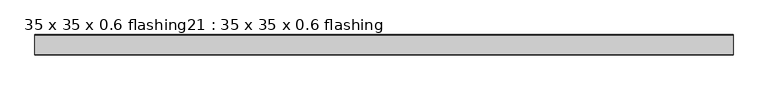
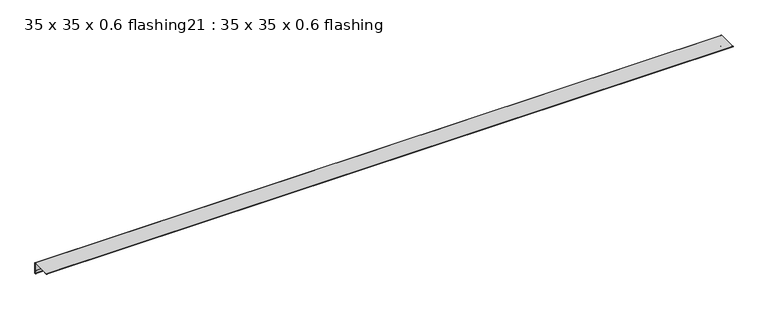
"""IFC4 building model written with IfcOpenShell, lengths in millimetres: proxy geometry, 35 x 35 x 0.6 flashing21 : 35 x 35 x 0.6 flashing."""

from ifc_helpers import new_model, si_unit, point, frame, frame_2d, origin, place, context, project, spatial, polyline, circle_curve, trimmed, segment, composite_curve, outline, extrude, source, transform, mapped, element, save


def proxy_35_x_35_x_0_6_flashing21_35_x_35_x_0_6_flashing_951367fd(model_context):
    return source(origin(), model_context, "Body", "SweptSolid", [
        extrude(outline(composite_curve([segment(trimmed(circle_curve(frame_2d((-10303.3538523, 1488.3887139)), 1.0), [point((-10302.3538523, 1488.3887139))], [point((-10304.3538523, 1488.3887139))], False, "CARTESIAN"), True, "CONTINUOUS"), segment(polyline([(-10304.3538523, 1488.3887139), (-10304.3538523, 1497.390498), (-10303.3538523, 1497.390498), (-10303.3538523, 1525.8887139)]), True, "CONTINUOUS"), segment(trimmed(circle_curve(frame_2d((-10304.8538523, 1525.8887139)), 1.5), [point((-10303.3538523, 1525.8887139))], [point((-10304.8538523, 1527.3887139))], True, "CARTESIAN"), True, "CONTINUOUS"), segment(polyline([(-10304.8538523, 1527.3887139), (-10362.3538523, 1527.3887139), (-10362.3538523, 1526.3887139), (-10371.3865297, 1526.3887139)]), True, "CONTINUOUS"), segment(trimmed(circle_curve(frame_2d((-10371.3865297, 1527.3887139)), 1.0), [point((-10371.3865297, 1526.3887139))], [point((-10371.3865297, 1528.3887139))], False, "CARTESIAN"), True, "CONTINUOUS"), segment(polyline([(-10371.3865297, 1528.3887139), (-10304.8538523, 1528.3887139)]), True, "CONTINUOUS"), segment(trimmed(circle_curve(frame_2d((-10304.8538523, 1525.8887139)), 2.5), [point((-10304.8538523, 1528.3887139))], [point((-10302.3538523, 1525.8887139))], False, "CARTESIAN"), True, "CONTINUOUS"), segment(polyline([(-10302.3538523, 1525.8887139), (-10302.3538523, 1488.3887139)]), True, "CONTINUOUS")], self_intersect=False)), frame((-10619.6640929, 0.0, 0.0), z_axis=(1.0, 0.0, 0.0), x_axis=(0.0, 1.0, 0.0)), (0.0, 0.0, 1.0), 2410.6438934),
    ])


if __name__ == "__main__":
    model = new_model("IFC4")
    model_context = context("Model", 3, world=origin())
    ifc_project = project(units=[si_unit("LENGTHUNIT", "METRE", prefix="MILLI")], contexts=[model_context])
    site = spatial("IfcSite", under=ifc_project)
    building = spatial("IfcBuilding", under=site)
    placement = place(None, origin())
    proxy_35_x_35_x_0_6_flashing21_35_x_35_x_0_6_flashing_shape = proxy_35_x_35_x_0_6_flashing21_35_x_35_x_0_6_flashing_951367fd(model_context)
    element("IfcBuildingElementProxy", 1, Name="35 x 35 x 0.6 flashing21 : 35 x 35 x 0.6 flashing", ObjectType="35 x 35 x 0.6 flashing21 : 35 x 35 x 0.6 flashing", at=placement, inside=building, context=model_context, shape_type="MappedRepresentation", body=[
        mapped(proxy_35_x_35_x_0_6_flashing21_35_x_35_x_0_6_flashing_shape, transform((0.0, 0.0, 0.0), x_axis=(1.0, 0.0, 0.0), y_axis=(0.0, 1.0, 0.0), z_axis=(0.0, 0.0, 1.0))),
    ])
    save(model, "model.ifc")
